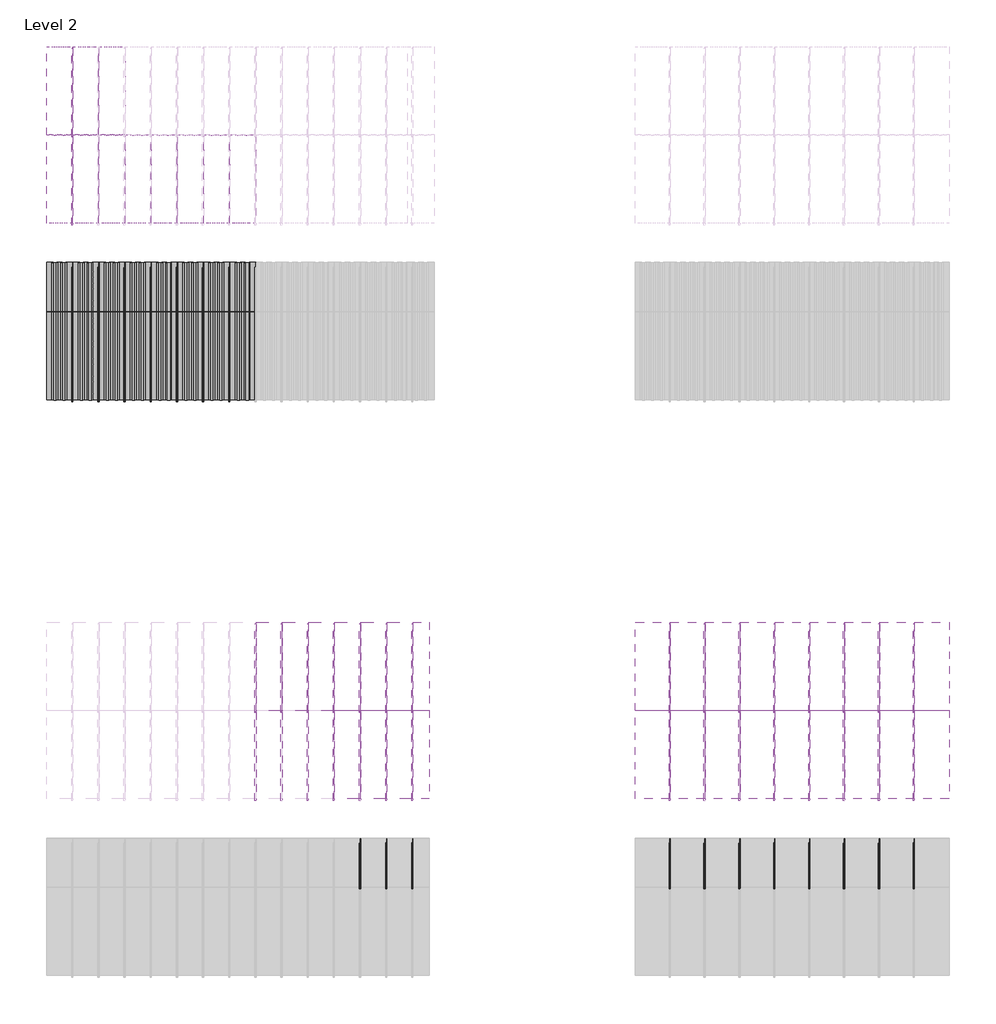
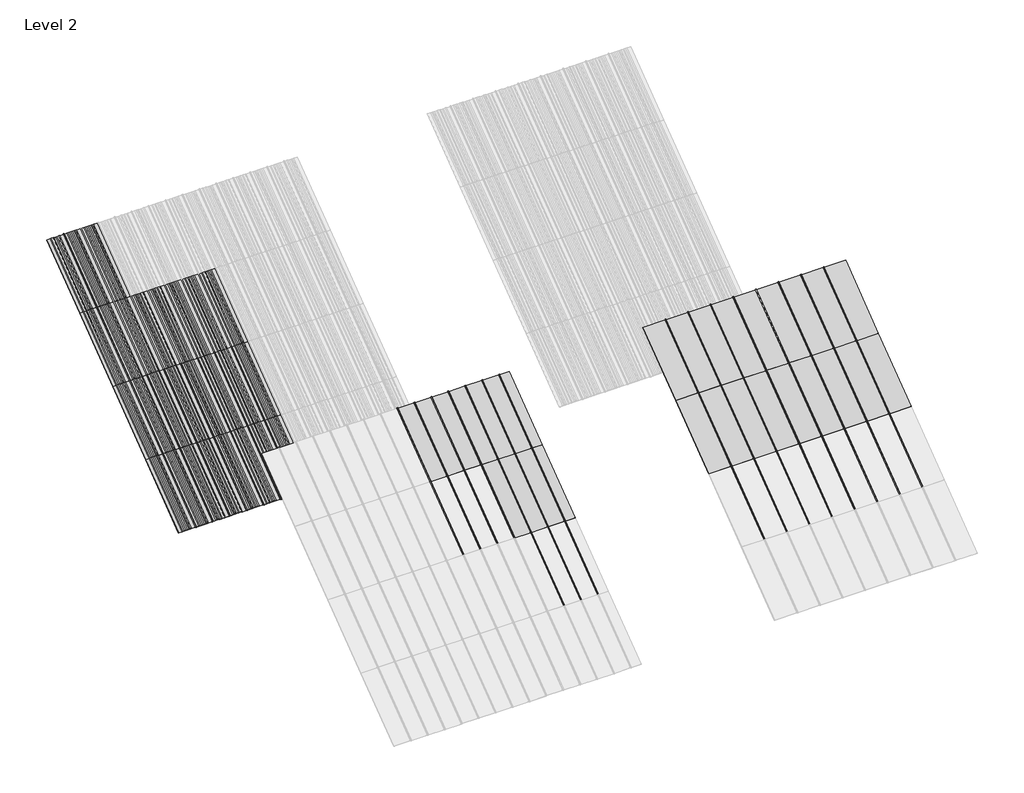
# One storey, part 2 of 177: 57 members, 56 plates.
"""IFC4 building model written with IfcOpenShell, lengths in millimetres."""

import ifcopenshell
import ifcopenshell.guid

model = None  # the IFC model being written
_history = None  # IfcOwnerHistory: only IFC2X3 demands one
_inside = {}  # id of a spatial element -> (the spatial element, [elements in it])
_under = {}  # id of a project, library or spatial element -> (it, [spatial elements below it])
_declared = {}  # id of a project -> (the project, [libraries it declares])
_typed = {}  # id of a type object -> (the type object, [elements of that type])
_made_of = {}  # id of a material, layer set ... -> (it, [elements and type objects made of it])


def new_model(schema):
    """Start an empty IFC model of exactly this schema.

    Asked for "IFC4X3", IfcOpenShell would pick the latest addendum, in which some entities
    have other attributes; the version numbers below select the first issue.
    IFC2X3 requires an IfcOwnerHistory on every rooted entity: one is made here for all.
    """
    global model, _history
    if schema == "IFC4X3":
        model = ifcopenshell.file(schema_version=(4, 3, 0, 0))
    else:
        model = ifcopenshell.file(schema=schema)
    _inside.clear()
    _under.clear()
    _declared.clear()
    _typed.clear()
    _made_of.clear()
    _history = None
    if model.schema == "IFC2X3":
        org = make("IfcOrganization", Name="unknown")
        user = make(
            "IfcPersonAndOrganization",
            ThePerson=make("IfcPerson", FamilyName="unknown"),
            TheOrganization=org,
        )
        app = make(
            "IfcApplication",
            ApplicationDeveloper=org,
            Version="unknown",
            ApplicationFullName="unknown",
            ApplicationIdentifier="unknown",
        )
        _history = make(
            "IfcOwnerHistory",
            OwningUser=user,
            OwningApplication=app,
            ChangeAction="ADDED",
            CreationDate=0,
        )
    return model


def make(cls, **values):
    """One entity of the class cls with the attributes given. An attribute that is None is left unset."""
    return model.create_entity(
        cls, **{name: value for name, value in values.items() if value is not None}
    )


def rooted(cls, **values):
    """An entity with a GlobalId (a new one), such as an element, a storey or a relation."""
    return make(cls, GlobalId=ifcopenshell.guid.new(), OwnerHistory=_history, **values)


def si_unit(unit_type, name, prefix=None):
    """IfcSIUnit, for example si_unit("LENGTHUNIT", "METRE", prefix="MILLI")."""
    return make("IfcSIUnit", UnitType=unit_type, Prefix=prefix, Name=name)


def assignment(units):
    """IfcUnitAssignment: the units of a project."""
    return None if units is None else make("IfcUnitAssignment", Units=units)


def point(xyz):
    """IfcCartesianPoint."""
    return None if xyz is None else make("IfcCartesianPoint", Coordinates=xyz)


def direction(xyz):
    """IfcDirection."""
    return None if xyz is None else make("IfcDirection", DirectionRatios=xyz)


def frame(location, z_axis=None, x_axis=None):
    """IfcAxis2Placement3D, a coordinate frame: its origin and axes. An axis left out is left unset."""
    return make(
        "IfcAxis2Placement3D",
        Location=point(location),
        Axis=direction(z_axis),
        RefDirection=direction(x_axis),
    )


def frame_2d(location, x_axis=None):
    """IfcAxis2Placement2D, a coordinate frame in the plane: its origin and x axis."""
    return make(
        "IfcAxis2Placement2D", Location=point(location), RefDirection=direction(x_axis)
    )


def origin():
    """The frame at (0, 0, 0) with its axes left unset."""
    return frame((0.0, 0.0, 0.0))


def origin_with_axes():
    """The frame at (0, 0, 0) with the z axis (0, 0, 1) and the x axis (1, 0, 0) written out."""
    return frame((0.0, 0.0, 0.0), z_axis=(0.0, 0.0, 1.0), x_axis=(1.0, 0.0, 0.0))


def place(relative_to, where):
    """IfcLocalPlacement: puts the frame where relative to a parent placement (None: the world)."""
    return make(
        "IfcLocalPlacement", PlacementRelTo=relative_to, RelativePlacement=where
    )


def context(
    kind, dimensions, precision=None, world=None, true_north=None, identifier=None
):
    """IfcGeometricRepresentationContext, for example the 3D "Model" context."""
    return make(
        "IfcGeometricRepresentationContext",
        ContextIdentifier=identifier,
        ContextType=kind,
        CoordinateSpaceDimension=dimensions,
        Precision=precision,
        WorldCoordinateSystem=world,
        TrueNorth=true_north,
    )


def project(units=None, contexts=None):
    """IfcProject with its units and contexts."""
    return rooted(
        "IfcProject",
        Name="project",
        RepresentationContexts=contexts,
        UnitsInContext=assignment(units),
    )


def spatial(cls, under=None, at=None, **own):
    """A site, building, storey or space (cls), placed at a placement, below another one or the project."""
    s = rooted(cls, ObjectPlacement=at, **own)
    if under is not None:
        _under.setdefault(under.id(), (under, []))[1].append(s)
    return s


def polyline(points):
    """IfcPolyline through the points."""
    return make("IfcPolyline", Points=[point(p) for p in points])


def circle_curve(where, radius):
    """IfcCircle in the frame where."""
    return make("IfcCircle", Position=where, Radius=radius)


def trimmed(basis, trim1, trim2, sense, master):
    """IfcTrimmedCurve: the piece of a basis curve between two trims."""
    return make(
        "IfcTrimmedCurve",
        BasisCurve=basis,
        Trim1=trim1,
        Trim2=trim2,
        SenseAgreement=sense,
        MasterRepresentation=master,
    )


def segment(curve, same_sense, transition):
    """IfcCompositeCurveSegment."""
    return make(
        "IfcCompositeCurveSegment",
        Transition=transition,
        SameSense=same_sense,
        ParentCurve=curve,
    )


def composite_curve(segments, self_intersect=None):
    """IfcCompositeCurve: segments joined end to end."""
    return make("IfcCompositeCurve", Segments=segments, SelfIntersect=self_intersect)


def outline(outer, holes=None, kind="AREA"):
    """IfcArbitraryClosedProfileDef: a profile drawn as a closed curve; with holes, ...WithVoids."""
    if holes is None:
        return make("IfcArbitraryClosedProfileDef", ProfileType=kind, OuterCurve=outer)
    return make(
        "IfcArbitraryProfileDefWithVoids",
        ProfileType=kind,
        OuterCurve=outer,
        InnerCurves=holes,
    )


def extrude(swept, where, along, depth):
    """IfcExtrudedAreaSolid: the profile swept, set in the frame where, extruded along a direction by depth."""
    return make(
        "IfcExtrudedAreaSolid",
        SweptArea=swept,
        Position=where,
        ExtrudedDirection=direction(along),
        Depth=depth,
    )


def shape(context_of_items, identifier, shape_type, items):
    """IfcShapeRepresentation: the items that make up one representation, for example the "Body"."""
    return make(
        "IfcShapeRepresentation",
        ContextOfItems=context_of_items,
        RepresentationIdentifier=identifier,
        RepresentationType=shape_type,
        Items=items,
    )


def source(mapping_origin, context_of_items, identifier, shape_type, items):
    """IfcRepresentationMap: a shape defined once, which mapped items show again and again."""
    return make(
        "IfcRepresentationMap",
        MappingOrigin=mapping_origin,
        MappedRepresentation=shape(context_of_items, identifier, shape_type, items),
    )


def transform(
    local_origin,
    x_axis=None,
    y_axis=None,
    z_axis=None,
    scale=None,
    scale2=None,
    scale3=None,
    uniform=True,
):
    """IfcCartesianTransformationOperator3D, or its non-uniform kind. x_axis, y_axis, z_axis: its Axis1, 2, 3."""
    if uniform:
        return make(
            "IfcCartesianTransformationOperator3D",
            Axis1=direction(x_axis),
            Axis2=direction(y_axis),
            LocalOrigin=point(local_origin),
            Scale=scale,
            Axis3=direction(z_axis),
        )
    return make(
        "IfcCartesianTransformationOperator3DnonUniform",
        Axis1=direction(x_axis),
        Axis2=direction(y_axis),
        LocalOrigin=point(local_origin),
        Scale=scale,
        Axis3=direction(z_axis),
        Scale2=scale2,
        Scale3=scale3,
    )


def mapped(mapping_source, mapping_target):
    """IfcMappedItem: shows the shape of a source again, moved by a transform."""
    return make(
        "IfcMappedItem", MappingSource=mapping_source, MappingTarget=mapping_target
    )


def made_of(thing, what):
    """Note that an element or type object is made of a material, layer set ...; save() writes the relation."""
    if what is not None:
        _made_of.setdefault(what.id(), (what, []))[1].append(thing)
    return thing


def element(
    cls,
    number,
    at=None,
    inside=None,
    cuts=None,
    type_object=None,
    material=None,
    context=None,
    identifier="Body",
    shape_type=None,
    held_by="IfcProductDefinitionShape",
    body=None,
    shapes=None,
    **own,
):
    """One element of the class cls, such as IfcWall. Its Tag is "e" and its number.

    at: its placement. inside: the storey or other place that contains it. cuts: it is an
    opening in that element (IfcRelVoidsElement). A single representation is given by context,
    identifier, shape_type and body (its items); several are given by shapes. held_by: the class
    of the entity that holds the representations. save() writes the other relations.
    """
    e = rooted(cls, Tag="e%d" % number, ObjectPlacement=at, **own)
    if body is not None:
        shapes = [shape(context, identifier, shape_type, body)]
    if shapes is not None:
        e.Representation = make(held_by, Representations=shapes)
    if inside is not None:
        _inside.setdefault(inside.id(), (inside, []))[1].append(e)
    if cuts is not None:
        rooted(
            "IfcRelVoidsElement", RelatingBuildingElement=cuts, RelatedOpeningElement=e
        )
    if type_object is not None:
        _typed.setdefault(type_object.id(), (type_object, []))[1].append(e)
    return made_of(e, material)


def aggregate(whole, parts):
    """IfcRelAggregates: a whole, such as a stair, and the parts it consists of."""
    return rooted("IfcRelAggregates", RelatingObject=whole, RelatedObjects=parts)


def save(model, path):
    """Write the relations noted so far, then the file.

    IfcRelAggregates (storeys below a building ...), IfcRelContainedInSpatialStructure (elements
    in a storey), IfcRelDefinesByType, IfcRelAssociatesMaterial and IfcRelDeclares: one each for
    every whole, place, type object, material and project.
    """
    for whole, parts in _under.values():
        aggregate(whole, parts)
    for where, things in _inside.values():
        rooted(
            "IfcRelContainedInSpatialStructure",
            RelatedElements=things,
            RelatingStructure=where,
        )
    for kind, things in _typed.values():
        rooted("IfcRelDefinesByType", RelatedObjects=things, RelatingType=kind)
    for what, things in _made_of.values():
        rooted("IfcRelAssociatesMaterial", RelatedObjects=things, RelatingMaterial=what)
    for by, libraries in _declared.values():
        rooted("IfcRelDeclares", RelatingContext=by, RelatedDefinitions=libraries)
    model.write(path)


def rectangular_mullion_59d29c64(model_context):
    return source(origin(), model_context, "Body", "SweptSolid", [
        extrude(outline(composite_curve([segment(polyline([(-1.651, -33.918525), (-1.651, 0.396875), (1.778, 0.396875), (1.778, -36.458525)]), True, "CONTINUOUS"), segment(trimmed(circle_curve(frame_2d((-0.762, -36.458525)), 2.54), [point((1.778, -36.458525))], [point((-0.762, -38.998525))], False, "CARTESIAN"), True, "CONTINUOUS"), segment(polyline([(-0.762, -38.998525), (-10.16, -38.998525)]), True, "CONTINUOUS"), segment(trimmed(circle_curve(frame_2d((-10.16, -36.458525)), 2.54), [point((-10.16, -38.998525))], [point((-10.16, -33.918525))], False, "CARTESIAN"), True, "CONTINUOUS"), segment(polyline([(-10.16, -33.918525), (-1.651, -33.918525)]), True, "CONTINUOUS")], self_intersect=False)), frame((0.0, 0.0, -1285.875), z_axis=(0.0, 0.0, 1.0), x_axis=(1.0, 0.0, 0.0)), (0.0, 0.0, 1.0), 1285.875),
    ])


def plate_0_032_aluminium_fd951f71(model_context):
    return source(origin(), model_context, "Body", "SweptSolid", [
        extrude(outline(polyline([(-89.30386, 0.8128), (-66.80708, -2.73558), (-37.26688, -2.73558), (-14.7701, 0.8128), (14.7701, 0.8128), (37.26688, -2.73558), (66.80708, -2.73558), (89.30386, 0.8128), (152.4, 0.8128), (152.4, 0.0), (89.367567, 0.0), (66.870787, -3.54838), (37.203173, -3.54838), (14.706393, 0.0), (-14.706393, 0.0), (-37.203173, -3.54838), (-66.870787, -3.54838), (-89.367567, 0.0), (-152.4, 0.0), (-152.4, 0.8128), (-89.30386, 0.8128)])), origin_with_axes(), (0.0, 0.0, 1.0), 1285.875),
    ])


def system_panel_d43c26f7(model_context):
    return source(origin(), model_context, "Body", "SweptSolid", [
        extrude(outline(polyline([(150.6855, -0.396875), (-150.6855, -0.396875), (-150.6855, 0.396875), (150.6855, 0.396875), (150.6855, -0.396875)])), origin_with_axes(), (0.0, 0.0, 1.0), 1285.875),
    ])


def system_panel_ad178575(model_context):
    return source(origin(), model_context, "Body", "SweptSolid", [
        extrude(outline(polyline([(93.9165, -0.396875), (-93.9165, -0.396875), (-93.9165, 0.396875), (93.9165, 0.396875), (93.9165, -0.396875)])), origin_with_axes(), (0.0, 0.0, 1.0), 1285.875),
    ])


def system_panel_4cfafa77(model_context):
    return source(origin(), model_context, "Body", "SweptSolid", [
        extrude(outline(polyline([(201.5490002, -0.396875), (-201.5490002, -0.396875), (-201.5490002, 0.396875), (201.5490002, 0.396875), (201.5490002, -0.396875)])), origin_with_axes(), (0.0, 0.0, 1.0), 1285.875),
    ])


def system_panel_5d2c6f42(model_context):
    return source(origin(), model_context, "Body", "SweptSolid", [
        extrude(outline(polyline([(201.4855, -0.396875), (-201.4855, -0.396875), (-201.4855, 0.396875), (201.4855, 0.396875), (201.4855, -0.396875)])), origin_with_axes(), (0.0, 0.0, 1.0), 1285.875),
    ])


model = new_model("IFC4")

# Units and contexts
model_context = context("Model", 3, world=origin())
ifc_project = project(units=[si_unit("LENGTHUNIT", "METRE", prefix="MILLI")], contexts=[model_context])

# Site, building, storey
site = spatial("IfcSite", under=ifc_project)
building = spatial("IfcBuilding", under=site)
storey = spatial("IfcBuildingStorey", under=building, Name="Level 2", Elevation=3048.0)

# Members
placement = place(None, origin())
rectangular_mullion_shape = rectangular_mullion_59d29c64(model_context)
element("IfcMember", 1, ObjectType="Rectangular Mullion", at=placement, inside=storey, context=model_context, shape_type="MappedRepresentation", body=[
    mapped(rectangular_mullion_shape, transform((24022.3938416, 38960.5080614, 6134.1), x_axis=(1.0, 0.0, 0.0), y_axis=(0.0, 0.6000000000000011, -0.7999999999999992), z_axis=(0.0, 0.7999999999999992, 0.6000000000000011))),
])
element("IfcMember", 2, ObjectType="Rectangular Mullion", at=placement, inside=storey, context=model_context, shape_type="MappedRepresentation", body=[
    mapped(rectangular_mullion_shape, transform((24327.1938416, 38960.5080614, 6134.1), x_axis=(1.0, 0.0, 0.0), y_axis=(0.0, 0.6000000000000011, -0.7999999999999992), z_axis=(0.0, 0.7999999999999992, 0.6000000000000011))),
])
element("IfcMember", 3, ObjectType="Rectangular Mullion", at=placement, inside=storey, context=model_context, shape_type="MappedRepresentation", body=[
    mapped(rectangular_mullion_shape, transform((24631.9938416, 38960.5080614, 6134.1), x_axis=(1.0, 0.0, 0.0), y_axis=(0.0, 0.6000000000000011, -0.7999999999999992), z_axis=(0.0, 0.7999999999999992, 0.6000000000000011))),
])
element("IfcMember", 4, ObjectType="Rectangular Mullion", at=placement, inside=storey, context=model_context, shape_type="MappedRepresentation", body=[
    mapped(rectangular_mullion_shape, transform((28848.3938416, 38960.5080614, 6134.1), x_axis=(1.0, 0.0, 0.0), y_axis=(0.0, 0.6000000000000011, -0.7999999999999992), z_axis=(0.0, 0.7999999999999992, 0.6000000000000011))),
])
element("IfcMember", 5, ObjectType="Rectangular Mullion", at=placement, inside=storey, context=model_context, shape_type="MappedRepresentation", body=[
    mapped(rectangular_mullion_shape, transform((29254.7938416, 38960.5080614, 6134.1), x_axis=(1.0, 0.0, 0.0), y_axis=(0.0, 0.6000000000000011, -0.7999999999999992), z_axis=(0.0, 0.7999999999999992, 0.6000000000000011))),
])
element("IfcMember", 6, ObjectType="Rectangular Mullion", at=placement, inside=storey, context=model_context, shape_type="MappedRepresentation", body=[
    mapped(rectangular_mullion_shape, transform((29661.1938416, 38960.5080614, 6134.1), x_axis=(1.0, 0.0, 0.0), y_axis=(0.0, 0.6000000000000011, -0.7999999999999992), z_axis=(0.0, 0.7999999999999992, 0.6000000000000011))),
])
element("IfcMember", 7, ObjectType="Rectangular Mullion", at=placement, inside=storey, context=model_context, shape_type="MappedRepresentation", body=[
    mapped(rectangular_mullion_shape, transform((30067.5938416, 38960.5080614, 6134.1), x_axis=(1.0, 0.0, 0.0), y_axis=(0.0, 0.6000000000000011, -0.7999999999999992), z_axis=(0.0, 0.7999999999999992, 0.6000000000000011))),
])
element("IfcMember", 8, ObjectType="Rectangular Mullion", at=placement, inside=storey, context=model_context, shape_type="MappedRepresentation", body=[
    mapped(rectangular_mullion_shape, transform((30473.9938416, 38960.5080614, 6134.1), x_axis=(1.0, 0.0, 0.0), y_axis=(0.0, 0.6000000000000011, -0.7999999999999992), z_axis=(0.0, 0.7999999999999992, 0.6000000000000011))),
])
element("IfcMember", 9, ObjectType="Rectangular Mullion", at=placement, inside=storey, context=model_context, shape_type="MappedRepresentation", body=[
    mapped(rectangular_mullion_shape, transform((30880.3938416, 38960.5080614, 6134.1), x_axis=(1.0, 0.0, 0.0), y_axis=(0.0, 0.6000000000000011, -0.7999999999999992), z_axis=(0.0, 0.7999999999999992, 0.6000000000000011))),
])
element("IfcMember", 10, ObjectType="Rectangular Mullion", at=placement, inside=storey, context=model_context, shape_type="MappedRepresentation", body=[
    mapped(rectangular_mullion_shape, transform((31286.7938416, 38960.5080614, 6134.1), x_axis=(1.0, 0.0, 0.0), y_axis=(0.0, 0.6000000000000011, -0.7999999999999992), z_axis=(0.0, 0.7999999999999992, 0.6000000000000011))),
])
element("IfcMember", 11, ObjectType="Rectangular Mullion", at=placement, inside=storey, context=model_context, shape_type="MappedRepresentation", body=[
    mapped(rectangular_mullion_shape, transform((31693.1938416, 38960.5080614, 6134.1), x_axis=(1.0, 0.0, 0.0), y_axis=(0.0, 0.6000000000000005, -0.7999999999999995), z_axis=(0.0, 0.7999999999999997, 0.6000000000000006))),
])
element("IfcMember", 12, ObjectType="Rectangular Mullion", at=placement, inside=storey, context=model_context, shape_type="MappedRepresentation", body=[
    mapped(rectangular_mullion_shape, transform((24936.7938416, 38960.5080614, 6134.1), x_axis=(1.0, 0.0, 0.0), y_axis=(0.0, 0.6000000000000011, -0.7999999999999992), z_axis=(0.0, 0.7999999999999992, 0.6000000000000011))),
])
element("IfcMember", 13, ObjectType="Rectangular Mullion", at=placement, inside=storey, context=model_context, shape_type="MappedRepresentation", body=[
    mapped(rectangular_mullion_shape, transform((25241.5938416, 38960.5080614, 6134.1), x_axis=(1.0, 0.0, 0.0), y_axis=(0.0, 0.6000000000000011, -0.7999999999999992), z_axis=(0.0, 0.7999999999999992, 0.6000000000000011))),
])
element("IfcMember", 14, ObjectType="Rectangular Mullion", at=placement, inside=storey, context=model_context, shape_type="MappedRepresentation", body=[
    mapped(rectangular_mullion_shape, transform((25546.3938416, 38960.5080614, 6134.1), x_axis=(1.0, 0.0, 0.0), y_axis=(0.0, 0.6000000000000011, -0.7999999999999992), z_axis=(0.0, 0.7999999999999992, 0.6000000000000011))),
])
element("IfcMember", 15, ObjectType="Rectangular Mullion", at=placement, inside=storey, context=model_context, shape_type="MappedRepresentation", body=[
    mapped(rectangular_mullion_shape, transform((25851.1938416, 38960.5080614, 6134.1), x_axis=(1.0, 0.0, 0.0), y_axis=(0.0, 0.6000000000000011, -0.7999999999999992), z_axis=(0.0, 0.7999999999999992, 0.6000000000000011))),
])
element("IfcMember", 16, ObjectType="Rectangular Mullion", at=placement, inside=storey, context=model_context, shape_type="MappedRepresentation", body=[
    mapped(rectangular_mullion_shape, transform((21888.7938416, 45666.1080614, 6134.1), x_axis=(1.0, 0.0, 0.0), y_axis=(0.0, 0.5999999999999946, -0.800000000000004), z_axis=(0.0, 0.800000000000004, 0.5999999999999946))),
])
element("IfcMember", 17, ObjectType="Rectangular Mullion", at=placement, inside=storey, context=model_context, shape_type="MappedRepresentation", body=[
    mapped(rectangular_mullion_shape, transform((21888.7938416, 42580.0080614, 3819.525), x_axis=(1.0, 0.0, 0.0), y_axis=(0.0, 0.5999999999999939, -0.8000000000000047), z_axis=(0.0, 0.8000000000000047, 0.5999999999999939))),
])
element("IfcMember", 18, ObjectType="Rectangular Mullion", at=placement, inside=storey, context=model_context, shape_type="MappedRepresentation", body=[
    mapped(rectangular_mullion_shape, transform((22193.5938416, 42580.0080614, 3819.525), x_axis=(1.0, 0.0, 0.0), y_axis=(0.0, 0.5999999999999939, -0.8000000000000047), z_axis=(0.0, 0.8000000000000047, 0.5999999999999939))),
])
element("IfcMember", 19, ObjectType="Rectangular Mullion", at=placement, inside=storey, context=model_context, shape_type="MappedRepresentation", body=[
    mapped(rectangular_mullion_shape, transform((22498.3938416, 42580.0080614, 3819.525), x_axis=(1.0, 0.0, 0.0), y_axis=(0.0, 0.5999999999999939, -0.8000000000000047), z_axis=(0.0, 0.8000000000000047, 0.5999999999999939))),
])
element("IfcMember", 20, ObjectType="Rectangular Mullion", at=placement, inside=storey, context=model_context, shape_type="MappedRepresentation", body=[
    mapped(rectangular_mullion_shape, transform((22803.1938416, 42580.0080614, 3819.525), x_axis=(1.0, 0.0, 0.0), y_axis=(0.0, 0.5999999999999939, -0.8000000000000047), z_axis=(0.0, 0.8000000000000047, 0.5999999999999939))),
])
element("IfcMember", 21, ObjectType="Rectangular Mullion", at=placement, inside=storey, context=model_context, shape_type="MappedRepresentation", body=[
    mapped(rectangular_mullion_shape, transform((23107.9938416, 42580.0080614, 3819.525), x_axis=(1.0, 0.0, 0.0), y_axis=(0.0, 0.5999999999999939, -0.8000000000000047), z_axis=(0.0, 0.8000000000000047, 0.5999999999999939))),
])
element("IfcMember", 22, ObjectType="Rectangular Mullion", at=placement, inside=storey, context=model_context, shape_type="MappedRepresentation", body=[
    mapped(rectangular_mullion_shape, transform((23412.7938416, 42580.0080614, 3819.525), x_axis=(1.0, 0.0, 0.0), y_axis=(0.0, 0.5999999999999939, -0.8000000000000047), z_axis=(0.0, 0.8000000000000047, 0.5999999999999939))),
])
element("IfcMember", 23, ObjectType="Rectangular Mullion", at=placement, inside=storey, context=model_context, shape_type="MappedRepresentation", body=[
    mapped(rectangular_mullion_shape, transform((23717.5938416, 42580.0080614, 3819.525), x_axis=(1.0, 0.0, 0.0), y_axis=(0.0, 0.5999999999999939, -0.8000000000000047), z_axis=(0.0, 0.8000000000000047, 0.5999999999999939))),
])
element("IfcMember", 24, ObjectType="Rectangular Mullion", at=placement, inside=storey, context=model_context, shape_type="MappedRepresentation", body=[
    mapped(rectangular_mullion_shape, transform((24022.3938416, 37931.8080614, 5362.575), x_axis=(1.0, 0.0, 0.0), y_axis=(0.0, 0.6000000000000011, -0.7999999999999992), z_axis=(0.0, 0.7999999999999992, 0.6000000000000011))),
])
element("IfcMember", 25, ObjectType="Rectangular Mullion", at=placement, inside=storey, context=model_context, shape_type="MappedRepresentation", body=[
    mapped(rectangular_mullion_shape, transform((24327.1938416, 37931.8080614, 5362.575), x_axis=(1.0, 0.0, 0.0), y_axis=(0.0, 0.6000000000000011, -0.7999999999999992), z_axis=(0.0, 0.7999999999999992, 0.6000000000000011))),
])
element("IfcMember", 26, ObjectType="Rectangular Mullion", at=placement, inside=storey, context=model_context, shape_type="MappedRepresentation", body=[
    mapped(rectangular_mullion_shape, transform((24631.9938416, 37931.8080614, 5362.575), x_axis=(1.0, 0.0, 0.0), y_axis=(0.0, 0.6000000000000011, -0.7999999999999992), z_axis=(0.0, 0.7999999999999992, 0.6000000000000011))),
])
element("IfcMember", 27, ObjectType="Rectangular Mullion", at=placement, inside=storey, context=model_context, shape_type="MappedRepresentation", body=[
    mapped(rectangular_mullion_shape, transform((28848.3938416, 36903.1080614, 4591.05), x_axis=(1.0, 0.0, 0.0), y_axis=(0.0, 0.6000000000000016, -0.7999999999999988), z_axis=(0.0, 0.7999999999999988, 0.6000000000000016))),
])
element("IfcMember", 28, ObjectType="Rectangular Mullion", at=placement, inside=storey, context=model_context, shape_type="MappedRepresentation", body=[
    mapped(rectangular_mullion_shape, transform((29254.7938416, 36903.1080614, 4591.05), x_axis=(1.0, 0.0, 0.0), y_axis=(0.0, 0.6000000000000016, -0.7999999999999988), z_axis=(0.0, 0.7999999999999988, 0.6000000000000016))),
])
element("IfcMember", 29, ObjectType="Rectangular Mullion", at=placement, inside=storey, context=model_context, shape_type="MappedRepresentation", body=[
    mapped(rectangular_mullion_shape, transform((28848.3938416, 37931.8080614, 5362.575), x_axis=(1.0, 0.0, 0.0), y_axis=(0.0, 0.6000000000000011, -0.7999999999999992), z_axis=(0.0, 0.7999999999999992, 0.6000000000000011))),
])
element("IfcMember", 30, ObjectType="Rectangular Mullion", at=placement, inside=storey, context=model_context, shape_type="MappedRepresentation", body=[
    mapped(rectangular_mullion_shape, transform((29254.7938416, 37931.8080614, 5362.575), x_axis=(1.0, 0.0, 0.0), y_axis=(0.0, 0.6000000000000011, -0.7999999999999992), z_axis=(0.0, 0.7999999999999992, 0.6000000000000011))),
])
element("IfcMember", 31, ObjectType="Rectangular Mullion", at=placement, inside=storey, context=model_context, shape_type="MappedRepresentation", body=[
    mapped(rectangular_mullion_shape, transform((29661.1938416, 36903.1080614, 4591.05), x_axis=(1.0, 0.0, 0.0), y_axis=(0.0, 0.6000000000000016, -0.7999999999999988), z_axis=(0.0, 0.7999999999999988, 0.6000000000000016))),
])
element("IfcMember", 32, ObjectType="Rectangular Mullion", at=placement, inside=storey, context=model_context, shape_type="MappedRepresentation", body=[
    mapped(rectangular_mullion_shape, transform((30067.5938416, 36903.1080614, 4591.05), x_axis=(1.0, 0.0, 0.0), y_axis=(0.0, 0.6000000000000016, -0.7999999999999988), z_axis=(0.0, 0.7999999999999988, 0.6000000000000016))),
])
element("IfcMember", 33, ObjectType="Rectangular Mullion", at=placement, inside=storey, context=model_context, shape_type="MappedRepresentation", body=[
    mapped(rectangular_mullion_shape, transform((30473.9938416, 36903.1080614, 4591.05), x_axis=(1.0, 0.0, 0.0), y_axis=(0.0, 0.6000000000000016, -0.7999999999999988), z_axis=(0.0, 0.7999999999999988, 0.6000000000000016))),
])
element("IfcMember", 34, ObjectType="Rectangular Mullion", at=placement, inside=storey, context=model_context, shape_type="MappedRepresentation", body=[
    mapped(rectangular_mullion_shape, transform((30880.3938416, 36903.1080614, 4591.05), x_axis=(1.0, 0.0, 0.0), y_axis=(0.0, 0.6000000000000016, -0.7999999999999988), z_axis=(0.0, 0.7999999999999988, 0.6000000000000016))),
])
element("IfcMember", 35, ObjectType="Rectangular Mullion", at=placement, inside=storey, context=model_context, shape_type="MappedRepresentation", body=[
    mapped(rectangular_mullion_shape, transform((31286.7938416, 36903.1080614, 4591.05), x_axis=(1.0, 0.0, 0.0), y_axis=(0.0, 0.6000000000000016, -0.7999999999999988), z_axis=(0.0, 0.7999999999999988, 0.6000000000000016))),
])
element("IfcMember", 36, ObjectType="Rectangular Mullion", at=placement, inside=storey, context=model_context, shape_type="MappedRepresentation", body=[
    mapped(rectangular_mullion_shape, transform((31693.1938416, 36903.1080614, 4591.05), x_axis=(1.0, 0.0, 0.0), y_axis=(0.0, 0.6000000000000013, -0.7999999999999989), z_axis=(0.0, 0.7999999999999989, 0.6000000000000013))),
])
element("IfcMember", 37, ObjectType="Rectangular Mullion", at=placement, inside=storey, context=model_context, shape_type="MappedRepresentation", body=[
    mapped(rectangular_mullion_shape, transform((29661.1938416, 37931.8080614, 5362.575), x_axis=(1.0, 0.0, 0.0), y_axis=(0.0, 0.6000000000000011, -0.7999999999999992), z_axis=(0.0, 0.7999999999999992, 0.6000000000000011))),
])
element("IfcMember", 38, ObjectType="Rectangular Mullion", at=placement, inside=storey, context=model_context, shape_type="MappedRepresentation", body=[
    mapped(rectangular_mullion_shape, transform((30067.5938416, 37931.8080614, 5362.575), x_axis=(1.0, 0.0, 0.0), y_axis=(0.0, 0.6000000000000011, -0.7999999999999992), z_axis=(0.0, 0.7999999999999992, 0.6000000000000011))),
])
element("IfcMember", 39, ObjectType="Rectangular Mullion", at=placement, inside=storey, context=model_context, shape_type="MappedRepresentation", body=[
    mapped(rectangular_mullion_shape, transform((30473.9938416, 37931.8080614, 5362.575), x_axis=(1.0, 0.0, 0.0), y_axis=(0.0, 0.6000000000000011, -0.7999999999999992), z_axis=(0.0, 0.7999999999999992, 0.6000000000000011))),
])
element("IfcMember", 40, ObjectType="Rectangular Mullion", at=placement, inside=storey, context=model_context, shape_type="MappedRepresentation", body=[
    mapped(rectangular_mullion_shape, transform((30880.3938416, 37931.8080614, 5362.575), x_axis=(1.0, 0.0, 0.0), y_axis=(0.0, 0.6000000000000011, -0.7999999999999992), z_axis=(0.0, 0.7999999999999992, 0.6000000000000011))),
])
element("IfcMember", 41, ObjectType="Rectangular Mullion", at=placement, inside=storey, context=model_context, shape_type="MappedRepresentation", body=[
    mapped(rectangular_mullion_shape, transform((31286.7938416, 37931.8080614, 5362.575), x_axis=(1.0, 0.0, 0.0), y_axis=(0.0, 0.6000000000000011, -0.7999999999999992), z_axis=(0.0, 0.7999999999999992, 0.6000000000000011))),
])
element("IfcMember", 42, ObjectType="Rectangular Mullion", at=placement, inside=storey, context=model_context, shape_type="MappedRepresentation", body=[
    mapped(rectangular_mullion_shape, transform((31693.1938416, 37931.8080614, 5362.575), x_axis=(1.0, 0.0, 0.0), y_axis=(0.0, 0.6000000000000013, -0.7999999999999989), z_axis=(0.0, 0.7999999999999989, 0.6000000000000013))),
])
element("IfcMember", 43, ObjectType="Rectangular Mullion", at=placement, inside=storey, context=model_context, shape_type="MappedRepresentation", body=[
    mapped(rectangular_mullion_shape, transform((25241.5938416, 36903.1080614, 4591.05), x_axis=(1.0, 0.0, 0.0), y_axis=(0.0, 0.6000000000000016, -0.7999999999999988), z_axis=(0.0, 0.7999999999999988, 0.6000000000000016))),
])
element("IfcMember", 44, ObjectType="Rectangular Mullion", at=placement, inside=storey, context=model_context, shape_type="MappedRepresentation", body=[
    mapped(rectangular_mullion_shape, transform((25546.3938416, 36903.1080614, 4591.05), x_axis=(1.0, 0.0, 0.0), y_axis=(0.0, 0.6000000000000016, -0.7999999999999988), z_axis=(0.0, 0.7999999999999988, 0.6000000000000016))),
])
element("IfcMember", 45, ObjectType="Rectangular Mullion", at=placement, inside=storey, context=model_context, shape_type="MappedRepresentation", body=[
    mapped(rectangular_mullion_shape, transform((25851.1938416, 36903.1080614, 4591.05), x_axis=(1.0, 0.0, 0.0), y_axis=(0.0, 0.6000000000000016, -0.7999999999999988), z_axis=(0.0, 0.7999999999999988, 0.6000000000000016))),
])
element("IfcMember", 46, ObjectType="Rectangular Mullion", at=placement, inside=storey, context=model_context, shape_type="MappedRepresentation", body=[
    mapped(rectangular_mullion_shape, transform((24936.7938416, 37931.8080614, 5362.575), x_axis=(1.0, 0.0, 0.0), y_axis=(0.0, 0.6000000000000011, -0.7999999999999992), z_axis=(0.0, 0.7999999999999992, 0.6000000000000011))),
])
element("IfcMember", 47, ObjectType="Rectangular Mullion", at=placement, inside=storey, context=model_context, shape_type="MappedRepresentation", body=[
    mapped(rectangular_mullion_shape, transform((25241.5938416, 37931.8080614, 5362.575), x_axis=(1.0, 0.0, 0.0), y_axis=(0.0, 0.6000000000000011, -0.7999999999999992), z_axis=(0.0, 0.7999999999999992, 0.6000000000000011))),
])
element("IfcMember", 48, ObjectType="Rectangular Mullion", at=placement, inside=storey, context=model_context, shape_type="MappedRepresentation", body=[
    mapped(rectangular_mullion_shape, transform((25546.3938416, 37931.8080614, 5362.575), x_axis=(1.0, 0.0, 0.0), y_axis=(0.0, 0.6000000000000011, -0.7999999999999992), z_axis=(0.0, 0.7999999999999992, 0.6000000000000011))),
])
element("IfcMember", 49, ObjectType="Rectangular Mullion", at=placement, inside=storey, context=model_context, shape_type="MappedRepresentation", body=[
    mapped(rectangular_mullion_shape, transform((25851.1938416, 37931.8080614, 5362.575), x_axis=(1.0, 0.0, 0.0), y_axis=(0.0, 0.6000000000000011, -0.7999999999999992), z_axis=(0.0, 0.7999999999999992, 0.6000000000000011))),
])
element("IfcMember", 50, ObjectType="Rectangular Mullion", at=placement, inside=storey, context=model_context, shape_type="MappedRepresentation", body=[
    mapped(rectangular_mullion_shape, transform((21888.7938416, 43608.7080614, 4591.05), x_axis=(1.0, 0.0, 0.0), y_axis=(0.0, 0.5999999999999952, -0.8000000000000037), z_axis=(0.0, 0.8000000000000037, 0.5999999999999952))),
])
element("IfcMember", 51, ObjectType="Rectangular Mullion", at=placement, inside=storey, context=model_context, shape_type="MappedRepresentation", body=[
    mapped(rectangular_mullion_shape, transform((22193.5938416, 43608.7080614, 4591.05), x_axis=(1.0, 0.0, 0.0), y_axis=(0.0, 0.5999999999999952, -0.8000000000000037), z_axis=(0.0, 0.8000000000000037, 0.5999999999999952))),
])
element("IfcMember", 52, ObjectType="Rectangular Mullion", at=placement, inside=storey, context=model_context, shape_type="MappedRepresentation", body=[
    mapped(rectangular_mullion_shape, transform((21888.7938416, 44637.4080614, 5362.575), x_axis=(1.0, 0.0, 0.0), y_axis=(0.0, 0.5999999999999941, -0.8000000000000045), z_axis=(0.0, 0.8000000000000044, 0.599999999999994))),
])
element("IfcMember", 53, ObjectType="Rectangular Mullion", at=placement, inside=storey, context=model_context, shape_type="MappedRepresentation", body=[
    mapped(rectangular_mullion_shape, transform((22498.3938416, 43608.7080614, 4591.05), x_axis=(1.0, 0.0, 0.0), y_axis=(0.0, 0.5999999999999952, -0.8000000000000037), z_axis=(0.0, 0.8000000000000037, 0.5999999999999952))),
])
element("IfcMember", 54, ObjectType="Rectangular Mullion", at=placement, inside=storey, context=model_context, shape_type="MappedRepresentation", body=[
    mapped(rectangular_mullion_shape, transform((22803.1938416, 43608.7080614, 4591.05), x_axis=(1.0, 0.0, 0.0), y_axis=(0.0, 0.5999999999999952, -0.8000000000000037), z_axis=(0.0, 0.8000000000000037, 0.5999999999999952))),
])
element("IfcMember", 55, ObjectType="Rectangular Mullion", at=placement, inside=storey, context=model_context, shape_type="MappedRepresentation", body=[
    mapped(rectangular_mullion_shape, transform((23107.9938416, 43608.7080614, 4591.05), x_axis=(1.0, 0.0, 0.0), y_axis=(0.0, 0.5999999999999952, -0.8000000000000037), z_axis=(0.0, 0.8000000000000037, 0.5999999999999952))),
])
element("IfcMember", 56, ObjectType="Rectangular Mullion", at=placement, inside=storey, context=model_context, shape_type="MappedRepresentation", body=[
    mapped(rectangular_mullion_shape, transform((23412.7938416, 43608.7080614, 4591.05), x_axis=(1.0, 0.0, 0.0), y_axis=(0.0, 0.5999999999999952, -0.8000000000000037), z_axis=(0.0, 0.8000000000000037, 0.5999999999999952))),
])
element("IfcMember", 57, ObjectType="Rectangular Mullion", at=placement, inside=storey, context=model_context, shape_type="MappedRepresentation", body=[
    mapped(rectangular_mullion_shape, transform((23717.5938416, 43608.7080614, 4591.05), x_axis=(1.0, 0.0, 0.0), y_axis=(0.0, 0.5999999999999952, -0.8000000000000037), z_axis=(0.0, 0.8000000000000037, 0.5999999999999952))),
])

# Plates
plate_0_032_aluminium_shape = plate_0_032_aluminium_fd951f71(model_context)
element("IfcPlate", 58, ObjectType="0.032 Aluminium", at=placement, inside=storey, context=model_context, shape_type="MappedRepresentation", body=[
    mapped(plate_0_032_aluminium_shape, transform((21736.3938414, 41551.3080614, 3048.0), x_axis=(1.0, 0.0, 0.0), y_axis=(0.0, 0.5999999999999943, -0.8000000000000043), z_axis=(0.0, 0.8000000000000043, 0.5999999999999943))),
])
element("IfcPlate", 59, ObjectType="0.032 Aluminium", at=placement, inside=storey, context=model_context, shape_type="MappedRepresentation", body=[
    mapped(plate_0_032_aluminium_shape, transform((21736.3938414, 42580.0080614, 3819.525), x_axis=(1.0, 0.0, 0.0), y_axis=(0.0, 0.5999999999999943, -0.8000000000000043), z_axis=(0.0, 0.8000000000000043, 0.5999999999999943))),
])
element("IfcPlate", 60, ObjectType="0.032 Aluminium", at=placement, inside=storey, context=model_context, shape_type="MappedRepresentation", body=[
    mapped(plate_0_032_aluminium_shape, transform((21736.3938414, 43608.7080614, 4591.05), x_axis=(1.0, 0.0, 0.0), y_axis=(0.0, 0.5999999999999943, -0.8000000000000043), z_axis=(0.0, 0.8000000000000043, 0.5999999999999943))),
])
element("IfcPlate", 61, ObjectType="0.032 Aluminium", at=placement, inside=storey, context=model_context, shape_type="MappedRepresentation", body=[
    mapped(plate_0_032_aluminium_shape, transform((21736.3938414, 44637.4080614, 5362.575), x_axis=(1.0, 0.0, 0.0), y_axis=(0.0, 0.5999999999999943, -0.8000000000000043), z_axis=(0.0, 0.8000000000000043, 0.5999999999999943))),
])
element("IfcPlate", 62, ObjectType="0.032 Aluminium", at=placement, inside=storey, context=model_context, shape_type="MappedRepresentation", body=[
    mapped(plate_0_032_aluminium_shape, transform((22041.2573416, 41551.3080614, 3048.0), x_axis=(1.0, 0.0, 0.0), y_axis=(0.0, 0.5999999999999943, -0.8000000000000043), z_axis=(0.0, 0.8000000000000043, 0.5999999999999943))),
])
element("IfcPlate", 63, ObjectType="0.032 Aluminium", at=placement, inside=storey, context=model_context, shape_type="MappedRepresentation", body=[
    mapped(plate_0_032_aluminium_shape, transform((22346.0573416, 41551.3080614, 3048.0), x_axis=(1.0, 0.0, 0.0), y_axis=(0.0, 0.5999999999999943, -0.8000000000000043), z_axis=(0.0, 0.8000000000000043, 0.5999999999999943))),
])
element("IfcPlate", 64, ObjectType="0.032 Aluminium", at=placement, inside=storey, context=model_context, shape_type="MappedRepresentation", body=[
    mapped(plate_0_032_aluminium_shape, transform((22041.2573416, 42580.0080614, 3819.525), x_axis=(1.0, 0.0, 0.0), y_axis=(0.0, 0.5999999999999943, -0.8000000000000043), z_axis=(0.0, 0.8000000000000043, 0.5999999999999943))),
])
element("IfcPlate", 65, ObjectType="0.032 Aluminium", at=placement, inside=storey, context=model_context, shape_type="MappedRepresentation", body=[
    mapped(plate_0_032_aluminium_shape, transform((22346.0573416, 42580.0080614, 3819.525), x_axis=(1.0, 0.0, 0.0), y_axis=(0.0, 0.5999999999999943, -0.8000000000000043), z_axis=(0.0, 0.8000000000000043, 0.5999999999999943))),
])
element("IfcPlate", 66, ObjectType="0.032 Aluminium", at=placement, inside=storey, context=model_context, shape_type="MappedRepresentation", body=[
    mapped(plate_0_032_aluminium_shape, transform((22041.2573416, 43608.7080614, 4591.05), x_axis=(1.0, 0.0, 0.0), y_axis=(0.0, 0.5999999999999943, -0.8000000000000043), z_axis=(0.0, 0.8000000000000043, 0.5999999999999943))),
])
element("IfcPlate", 67, ObjectType="0.032 Aluminium", at=placement, inside=storey, context=model_context, shape_type="MappedRepresentation", body=[
    mapped(plate_0_032_aluminium_shape, transform((22346.0573416, 43608.7080614, 4591.05), x_axis=(1.0, 0.0, 0.0), y_axis=(0.0, 0.5999999999999943, -0.8000000000000043), z_axis=(0.0, 0.8000000000000043, 0.5999999999999943))),
])
element("IfcPlate", 68, ObjectType="0.032 Aluminium", at=placement, inside=storey, context=model_context, shape_type="MappedRepresentation", body=[
    mapped(plate_0_032_aluminium_shape, transform((22041.2573416, 44637.4080614, 5362.575), x_axis=(1.0, 0.0, 0.0), y_axis=(0.0, 0.5999999999999943, -0.8000000000000043), z_axis=(0.0, 0.8000000000000043, 0.5999999999999943))),
])
element("IfcPlate", 69, ObjectType="0.032 Aluminium", at=placement, inside=storey, context=model_context, shape_type="MappedRepresentation", body=[
    mapped(plate_0_032_aluminium_shape, transform((22346.0573416, 44637.4080614, 5362.575), x_axis=(1.0, 0.0, 0.0), y_axis=(0.0, 0.5999999999999943, -0.8000000000000043), z_axis=(0.0, 0.8000000000000043, 0.5999999999999943))),
])
element("IfcPlate", 70, ObjectType="0.032 Aluminium", at=placement, inside=storey, context=model_context, shape_type="MappedRepresentation", body=[
    mapped(plate_0_032_aluminium_shape, transform((22650.8573416, 41551.3080614, 3048.0), x_axis=(1.0, 0.0, 0.0), y_axis=(0.0, 0.5999999999999943, -0.8000000000000043), z_axis=(0.0, 0.8000000000000043, 0.5999999999999943))),
])
element("IfcPlate", 71, ObjectType="0.032 Aluminium", at=placement, inside=storey, context=model_context, shape_type="MappedRepresentation", body=[
    mapped(plate_0_032_aluminium_shape, transform((22650.8573416, 42580.0080614, 3819.525), x_axis=(1.0, 0.0, 0.0), y_axis=(0.0, 0.5999999999999943, -0.8000000000000043), z_axis=(0.0, 0.8000000000000043, 0.5999999999999943))),
])
element("IfcPlate", 72, ObjectType="0.032 Aluminium", at=placement, inside=storey, context=model_context, shape_type="MappedRepresentation", body=[
    mapped(plate_0_032_aluminium_shape, transform((22650.8573416, 43608.7080614, 4591.05), x_axis=(1.0, 0.0, 0.0), y_axis=(0.0, 0.5999999999999943, -0.8000000000000043), z_axis=(0.0, 0.8000000000000043, 0.5999999999999943))),
])
element("IfcPlate", 73, ObjectType="0.032 Aluminium", at=placement, inside=storey, context=model_context, shape_type="MappedRepresentation", body=[
    mapped(plate_0_032_aluminium_shape, transform((22955.6573416, 41551.3080614, 3048.0), x_axis=(1.0, 0.0, 0.0), y_axis=(0.0, 0.5999999999999943, -0.8000000000000043), z_axis=(0.0, 0.8000000000000043, 0.5999999999999943))),
])
element("IfcPlate", 74, ObjectType="0.032 Aluminium", at=placement, inside=storey, context=model_context, shape_type="MappedRepresentation", body=[
    mapped(plate_0_032_aluminium_shape, transform((22955.6573416, 42580.0080614, 3819.525), x_axis=(1.0, 0.0, 0.0), y_axis=(0.0, 0.5999999999999943, -0.8000000000000043), z_axis=(0.0, 0.8000000000000043, 0.5999999999999943))),
])
element("IfcPlate", 75, ObjectType="0.032 Aluminium", at=placement, inside=storey, context=model_context, shape_type="MappedRepresentation", body=[
    mapped(plate_0_032_aluminium_shape, transform((22955.6573416, 43608.7080614, 4591.05), x_axis=(1.0, 0.0, 0.0), y_axis=(0.0, 0.5999999999999943, -0.8000000000000043), z_axis=(0.0, 0.8000000000000043, 0.5999999999999943))),
])
element("IfcPlate", 76, ObjectType="0.032 Aluminium", at=placement, inside=storey, context=model_context, shape_type="MappedRepresentation", body=[
    mapped(plate_0_032_aluminium_shape, transform((23260.4573416, 41551.3080614, 3048.0), x_axis=(1.0, 0.0, 0.0), y_axis=(0.0, 0.5999999999999943, -0.8000000000000043), z_axis=(0.0, 0.8000000000000043, 0.5999999999999943))),
])
element("IfcPlate", 77, ObjectType="0.032 Aluminium", at=placement, inside=storey, context=model_context, shape_type="MappedRepresentation", body=[
    mapped(plate_0_032_aluminium_shape, transform((23260.4573416, 42580.0080614, 3819.525), x_axis=(1.0, 0.0, 0.0), y_axis=(0.0, 0.5999999999999943, -0.8000000000000043), z_axis=(0.0, 0.8000000000000043, 0.5999999999999943))),
])
element("IfcPlate", 78, ObjectType="0.032 Aluminium", at=placement, inside=storey, context=model_context, shape_type="MappedRepresentation", body=[
    mapped(plate_0_032_aluminium_shape, transform((23260.4573416, 43608.7080614, 4591.05), x_axis=(1.0, 0.0, 0.0), y_axis=(0.0, 0.5999999999999943, -0.8000000000000043), z_axis=(0.0, 0.8000000000000043, 0.5999999999999943))),
])
element("IfcPlate", 79, ObjectType="0.032 Aluminium", at=placement, inside=storey, context=model_context, shape_type="MappedRepresentation", body=[
    mapped(plate_0_032_aluminium_shape, transform((23565.2573416, 41551.3080614, 3048.0), x_axis=(1.0, 0.0, 0.0), y_axis=(0.0, 0.5999999999999943, -0.8000000000000043), z_axis=(0.0, 0.8000000000000043, 0.5999999999999943))),
])
element("IfcPlate", 80, ObjectType="0.032 Aluminium", at=placement, inside=storey, context=model_context, shape_type="MappedRepresentation", body=[
    mapped(plate_0_032_aluminium_shape, transform((23565.2573416, 42580.0080614, 3819.525), x_axis=(1.0, 0.0, 0.0), y_axis=(0.0, 0.5999999999999943, -0.8000000000000043), z_axis=(0.0, 0.8000000000000043, 0.5999999999999943))),
])
element("IfcPlate", 81, ObjectType="0.032 Aluminium", at=placement, inside=storey, context=model_context, shape_type="MappedRepresentation", body=[
    mapped(plate_0_032_aluminium_shape, transform((23565.2573416, 43608.7080614, 4591.05), x_axis=(1.0, 0.0, 0.0), y_axis=(0.0, 0.5999999999999943, -0.8000000000000043), z_axis=(0.0, 0.8000000000000043, 0.5999999999999943))),
])
element("IfcPlate", 82, ObjectType="0.032 Aluminium", at=placement, inside=storey, context=model_context, shape_type="MappedRepresentation", body=[
    mapped(plate_0_032_aluminium_shape, transform((23870.0573416, 41551.3080614, 3048.0), x_axis=(1.0, 0.0, 0.0), y_axis=(0.0, 0.5999999999999943, -0.8000000000000043), z_axis=(0.0, 0.8000000000000043, 0.5999999999999943))),
])
element("IfcPlate", 83, ObjectType="0.032 Aluminium", at=placement, inside=storey, context=model_context, shape_type="MappedRepresentation", body=[
    mapped(plate_0_032_aluminium_shape, transform((23870.0573416, 42580.0080614, 3819.525), x_axis=(1.0, 0.0, 0.0), y_axis=(0.0, 0.5999999999999943, -0.8000000000000043), z_axis=(0.0, 0.8000000000000043, 0.5999999999999943))),
])
element("IfcPlate", 84, ObjectType="0.032 Aluminium", at=placement, inside=storey, context=model_context, shape_type="MappedRepresentation", body=[
    mapped(plate_0_032_aluminium_shape, transform((23870.0573416, 43608.7080614, 4591.05), x_axis=(1.0, 0.0, 0.0), y_axis=(0.0, 0.5999999999999943, -0.8000000000000043), z_axis=(0.0, 0.8000000000000043, 0.5999999999999943))),
])
system_panel_shape = system_panel_d43c26f7(model_context)
element("IfcPlate", 85, ObjectType="System Panel", at=placement, inside=storey, context=model_context, shape_type="MappedRepresentation", body=[
    mapped(system_panel_shape, transform((24174.8573416, 37931.8080614, 5362.575), x_axis=(1.0, 0.0, 0.0), y_axis=(0.0, 0.6000000000000011, -0.7999999999999992), z_axis=(0.0, 0.7999999999999992, 0.6000000000000011))),
])
element("IfcPlate", 86, ObjectType="System Panel", at=placement, inside=storey, context=model_context, shape_type="MappedRepresentation", body=[
    mapped(system_panel_shape, transform((24479.6573416, 37931.8080614, 5362.575), x_axis=(1.0, 0.0, 0.0), y_axis=(0.0, 0.6000000000000011, -0.7999999999999992), z_axis=(0.0, 0.7999999999999992, 0.6000000000000011))),
])
element("IfcPlate", 87, ObjectType="System Panel", at=placement, inside=storey, context=model_context, shape_type="MappedRepresentation", body=[
    mapped(system_panel_shape, transform((24784.4573416, 37931.8080614, 5362.575), x_axis=(1.0, 0.0, 0.0), y_axis=(0.0, 0.6000000000000011, -0.7999999999999992), z_axis=(0.0, 0.7999999999999992, 0.6000000000000011))),
])
element("IfcPlate", 88, ObjectType="System Panel", at=placement, inside=storey, context=model_context, shape_type="MappedRepresentation", body=[
    mapped(system_panel_shape, transform((25089.2573416, 36903.1080614, 4591.05), x_axis=(1.0, 0.0, 0.0), y_axis=(0.0, 0.6000000000000011, -0.7999999999999992), z_axis=(0.0, 0.7999999999999992, 0.6000000000000011))),
])
element("IfcPlate", 89, ObjectType="System Panel", at=placement, inside=storey, context=model_context, shape_type="MappedRepresentation", body=[
    mapped(system_panel_shape, transform((25089.2573416, 37931.8080614, 5362.575), x_axis=(1.0, 0.0, 0.0), y_axis=(0.0, 0.6000000000000011, -0.7999999999999992), z_axis=(0.0, 0.7999999999999992, 0.6000000000000011))),
])
element("IfcPlate", 90, ObjectType="System Panel", at=placement, inside=storey, context=model_context, shape_type="MappedRepresentation", body=[
    mapped(system_panel_shape, transform((25394.0573416, 36903.1080614, 4591.05), x_axis=(1.0, 0.0, 0.0), y_axis=(0.0, 0.6000000000000011, -0.7999999999999992), z_axis=(0.0, 0.7999999999999992, 0.6000000000000011))),
])
element("IfcPlate", 91, ObjectType="System Panel", at=placement, inside=storey, context=model_context, shape_type="MappedRepresentation", body=[
    mapped(system_panel_shape, transform((25394.0573416, 37931.8080614, 5362.575), x_axis=(1.0, 0.0, 0.0), y_axis=(0.0, 0.6000000000000011, -0.7999999999999992), z_axis=(0.0, 0.7999999999999992, 0.6000000000000011))),
])
element("IfcPlate", 92, ObjectType="System Panel", at=placement, inside=storey, context=model_context, shape_type="MappedRepresentation", body=[
    mapped(system_panel_shape, transform((25698.8573416, 36903.1080614, 4591.05), x_axis=(1.0, 0.0, 0.0), y_axis=(0.0, 0.6000000000000011, -0.7999999999999992), z_axis=(0.0, 0.7999999999999992, 0.6000000000000011))),
])
element("IfcPlate", 93, ObjectType="System Panel", at=placement, inside=storey, context=model_context, shape_type="MappedRepresentation", body=[
    mapped(system_panel_shape, transform((25698.8573416, 37931.8080614, 5362.575), x_axis=(1.0, 0.0, 0.0), y_axis=(0.0, 0.6000000000000011, -0.7999999999999992), z_axis=(0.0, 0.7999999999999992, 0.6000000000000011))),
])
system_panel_2_shape = system_panel_ad178575(model_context)
element("IfcPlate", 94, ObjectType="System Panel", at=placement, inside=storey, context=model_context, shape_type="MappedRepresentation", body=[
    mapped(system_panel_2_shape, transform((25946.8883416, 36903.1080614, 4591.05), x_axis=(1.0, 0.0, 0.0), y_axis=(0.0, 0.6000000000000011, -0.7999999999999992), z_axis=(0.0, 0.7999999999999992, 0.6000000000000011))),
])
element("IfcPlate", 95, ObjectType="System Panel", at=placement, inside=storey, context=model_context, shape_type="MappedRepresentation", body=[
    mapped(system_panel_2_shape, transform((25946.8883416, 37931.8080614, 5362.575), x_axis=(1.0, 0.0, 0.0), y_axis=(0.0, 0.6000000000000011, -0.7999999999999992), z_axis=(0.0, 0.7999999999999992, 0.6000000000000011))),
])
system_panel_3_shape = system_panel_4cfafa77(model_context)
element("IfcPlate", 96, ObjectType="System Panel", at=placement, inside=storey, context=model_context, shape_type="MappedRepresentation", body=[
    mapped(system_panel_3_shape, transform((28645.1938414, 36903.1080614, 4591.05), x_axis=(1.0, 0.0, 0.0), y_axis=(0.0, 0.6000000000000011, -0.7999999999999992), z_axis=(0.0, 0.7999999999999992, 0.6000000000000011))),
])
element("IfcPlate", 97, ObjectType="System Panel", at=placement, inside=storey, context=model_context, shape_type="MappedRepresentation", body=[
    mapped(system_panel_3_shape, transform((28645.1938414, 37931.8080614, 5362.575), x_axis=(1.0, 0.0, 0.0), y_axis=(0.0, 0.6000000000000011, -0.7999999999999992), z_axis=(0.0, 0.7999999999999992, 0.6000000000000011))),
])
system_panel_4_shape = system_panel_5d2c6f42(model_context)
element("IfcPlate", 98, ObjectType="System Panel", at=placement, inside=storey, context=model_context, shape_type="MappedRepresentation", body=[
    mapped(system_panel_4_shape, transform((29051.6573416, 36903.1080614, 4591.05), x_axis=(1.0, 0.0, 0.0), y_axis=(0.0, 0.6000000000000011, -0.7999999999999992), z_axis=(0.0, 0.7999999999999992, 0.6000000000000011))),
])
element("IfcPlate", 99, ObjectType="System Panel", at=placement, inside=storey, context=model_context, shape_type="MappedRepresentation", body=[
    mapped(system_panel_4_shape, transform((29458.0573416, 36903.1080614, 4591.05), x_axis=(1.0, 0.0, 0.0), y_axis=(0.0, 0.6000000000000011, -0.7999999999999992), z_axis=(0.0, 0.7999999999999992, 0.6000000000000011))),
])
element("IfcPlate", 100, ObjectType="System Panel", at=placement, inside=storey, context=model_context, shape_type="MappedRepresentation", body=[
    mapped(system_panel_4_shape, transform((29051.6573416, 37931.8080614, 5362.575), x_axis=(1.0, 0.0, 0.0), y_axis=(0.0, 0.6000000000000011, -0.7999999999999992), z_axis=(0.0, 0.7999999999999992, 0.6000000000000011))),
])
element("IfcPlate", 101, ObjectType="System Panel", at=placement, inside=storey, context=model_context, shape_type="MappedRepresentation", body=[
    mapped(system_panel_4_shape, transform((29458.0573416, 37931.8080614, 5362.575), x_axis=(1.0, 0.0, 0.0), y_axis=(0.0, 0.6000000000000011, -0.7999999999999992), z_axis=(0.0, 0.7999999999999992, 0.6000000000000011))),
])
element("IfcPlate", 102, ObjectType="System Panel", at=placement, inside=storey, context=model_context, shape_type="MappedRepresentation", body=[
    mapped(system_panel_4_shape, transform((29864.4573416, 36903.1080614, 4591.05), x_axis=(1.0, 0.0, 0.0), y_axis=(0.0, 0.6000000000000011, -0.7999999999999992), z_axis=(0.0, 0.7999999999999992, 0.6000000000000011))),
])
element("IfcPlate", 103, ObjectType="System Panel", at=placement, inside=storey, context=model_context, shape_type="MappedRepresentation", body=[
    mapped(system_panel_4_shape, transform((29864.4573416, 37931.8080614, 5362.575), x_axis=(1.0, 0.0, 0.0), y_axis=(0.0, 0.6000000000000011, -0.7999999999999992), z_axis=(0.0, 0.7999999999999992, 0.6000000000000011))),
])
element("IfcPlate", 104, ObjectType="System Panel", at=placement, inside=storey, context=model_context, shape_type="MappedRepresentation", body=[
    mapped(system_panel_4_shape, transform((30270.8573416, 36903.1080614, 4591.05), x_axis=(1.0, 0.0, 0.0), y_axis=(0.0, 0.6000000000000011, -0.7999999999999992), z_axis=(0.0, 0.7999999999999992, 0.6000000000000011))),
])
element("IfcPlate", 105, ObjectType="System Panel", at=placement, inside=storey, context=model_context, shape_type="MappedRepresentation", body=[
    mapped(system_panel_4_shape, transform((30270.8573416, 37931.8080614, 5362.575), x_axis=(1.0, 0.0, 0.0), y_axis=(0.0, 0.6000000000000011, -0.7999999999999992), z_axis=(0.0, 0.7999999999999992, 0.6000000000000011))),
])
element("IfcPlate", 106, ObjectType="System Panel", at=placement, inside=storey, context=model_context, shape_type="MappedRepresentation", body=[
    mapped(system_panel_4_shape, transform((30677.2573416, 36903.1080614, 4591.05), x_axis=(1.0, 0.0, 0.0), y_axis=(0.0, 0.6000000000000011, -0.7999999999999992), z_axis=(0.0, 0.7999999999999992, 0.6000000000000011))),
])
element("IfcPlate", 107, ObjectType="System Panel", at=placement, inside=storey, context=model_context, shape_type="MappedRepresentation", body=[
    mapped(system_panel_4_shape, transform((30677.2573416, 37931.8080614, 5362.575), x_axis=(1.0, 0.0, 0.0), y_axis=(0.0, 0.6000000000000011, -0.7999999999999992), z_axis=(0.0, 0.7999999999999992, 0.6000000000000011))),
])
element("IfcPlate", 108, ObjectType="System Panel", at=placement, inside=storey, context=model_context, shape_type="MappedRepresentation", body=[
    mapped(system_panel_4_shape, transform((31083.6573416, 36903.1080614, 4591.05), x_axis=(1.0, 0.0, 0.0), y_axis=(0.0, 0.6000000000000011, -0.7999999999999992), z_axis=(0.0, 0.7999999999999992, 0.6000000000000011))),
])
element("IfcPlate", 109, ObjectType="System Panel", at=placement, inside=storey, context=model_context, shape_type="MappedRepresentation", body=[
    mapped(system_panel_4_shape, transform((31083.6573416, 37931.8080614, 5362.575), x_axis=(1.0, 0.0, 0.0), y_axis=(0.0, 0.6000000000000011, -0.7999999999999992), z_axis=(0.0, 0.7999999999999992, 0.6000000000000011))),
])
element("IfcPlate", 110, ObjectType="System Panel", at=placement, inside=storey, context=model_context, shape_type="MappedRepresentation", body=[
    mapped(system_panel_4_shape, transform((31490.0573416, 36903.1080614, 4591.05), x_axis=(1.0, 0.0, 0.0), y_axis=(0.0, 0.6000000000000011, -0.7999999999999992), z_axis=(0.0, 0.7999999999999992, 0.6000000000000011))),
])
element("IfcPlate", 111, ObjectType="System Panel", at=placement, inside=storey, context=model_context, shape_type="MappedRepresentation", body=[
    mapped(system_panel_4_shape, transform((31490.0573416, 37931.8080614, 5362.575), x_axis=(1.0, 0.0, 0.0), y_axis=(0.0, 0.6000000000000011, -0.7999999999999992), z_axis=(0.0, 0.7999999999999992, 0.6000000000000011))),
])
element("IfcPlate", 112, ObjectType="System Panel", at=placement, inside=storey, context=model_context, shape_type="MappedRepresentation", body=[
    mapped(system_panel_4_shape, transform((31896.4573416, 36903.1080614, 4591.05), x_axis=(1.0, 0.0, 0.0), y_axis=(0.0, 0.6000000000000011, -0.7999999999999992), z_axis=(0.0, 0.7999999999999992, 0.6000000000000011))),
])
element("IfcPlate", 113, ObjectType="System Panel", at=placement, inside=storey, context=model_context, shape_type="MappedRepresentation", body=[
    mapped(system_panel_4_shape, transform((31896.4573416, 37931.8080614, 5362.575), x_axis=(1.0, 0.0, 0.0), y_axis=(0.0, 0.6000000000000011, -0.7999999999999992), z_axis=(0.0, 0.7999999999999992, 0.6000000000000011))),
])

save(model, "model.ifc")
